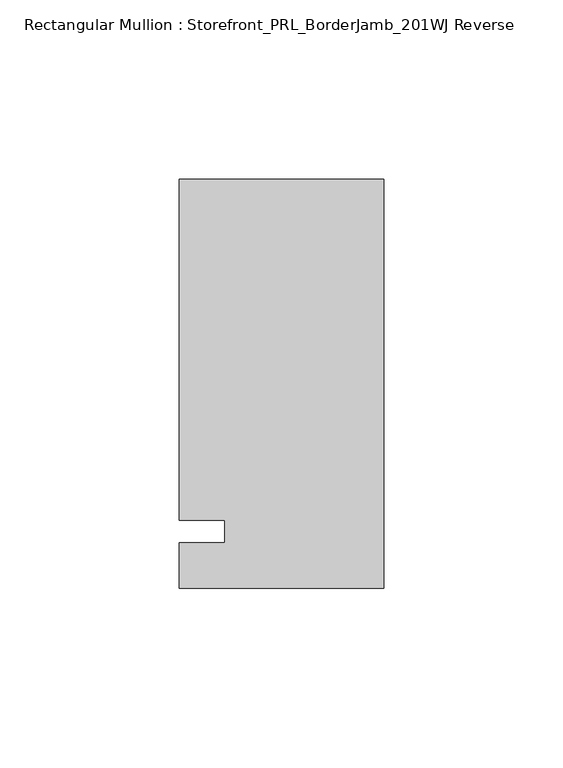
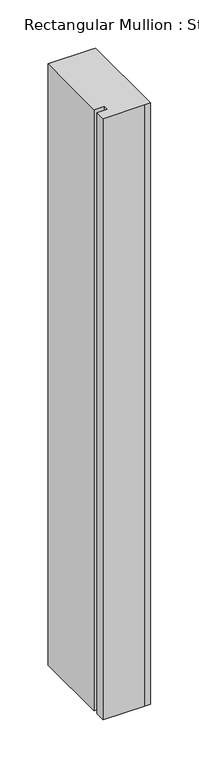
"""IFC4 building model written with IfcOpenShell, lengths in millimetres: member geometry, Rectangular Mullion : Storefront_PRL_BorderJamb_201WJ Reverse."""

from ifc_helpers import new_model, si_unit, frame, origin, place, context, project, spatial, polyline, outline, extrude, source, transform, mapped, element, save


def rectangular_mullion_storefront_prl_borderjamb_201wj_reverse_4ec361b1(model_context):
    return source(origin(), model_context, "Body", "SweptSolid", [
        extrude(outline(polyline([(-44.45, 3.175), (-57.15, 3.175), (-57.15, 98.425), (-6.35, 98.425), (0.0, 98.425), (0.0, -15.875), (-7.3958824, -15.875), (-57.15, -15.875), (-57.15, -3.175), (-44.45, -3.175), (-44.45, 3.175)])), frame((0.0, 0.0, -762.0), z_axis=(0.0, 0.0, 1.0), x_axis=(1.0, 0.0, 0.0)), (0.0, 0.0, 1.0), 762.0),
    ])


if __name__ == "__main__":
    model = new_model("IFC4")
    model_context = context("Model", 3, world=origin())
    ifc_project = project(units=[si_unit("LENGTHUNIT", "METRE", prefix="MILLI")], contexts=[model_context])
    site = spatial("IfcSite", under=ifc_project)
    building = spatial("IfcBuilding", under=site)
    placement = place(None, origin())
    rectangular_mullion_storefront_prl_borderjamb_201wj_reverse_shape = rectangular_mullion_storefront_prl_borderjamb_201wj_reverse_4ec361b1(model_context)
    element("IfcMember", 1, ObjectType="Rectangular Mullion : Storefront_PRL_BorderJamb_201WJ Reverse", at=placement, inside=building, context=model_context, shape_type="MappedRepresentation", body=[
        mapped(rectangular_mullion_storefront_prl_borderjamb_201wj_reverse_shape, transform((0.0, 0.0, 0.0), x_axis=(1.0, 0.0, 0.0), y_axis=(0.0, 1.0, 0.0), z_axis=(0.0, 0.0, 1.0))),
    ])
    save(model, "model.ifc")
